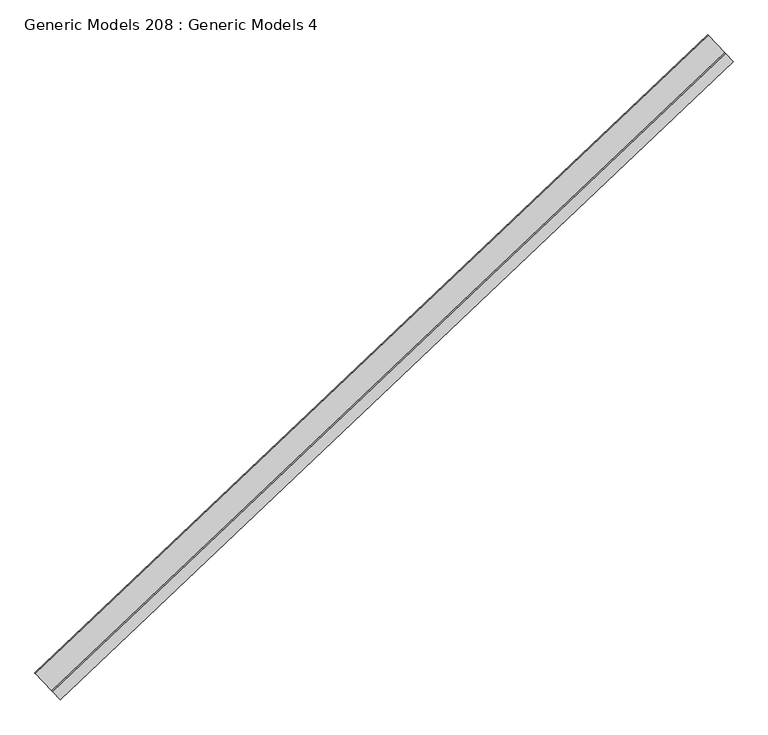
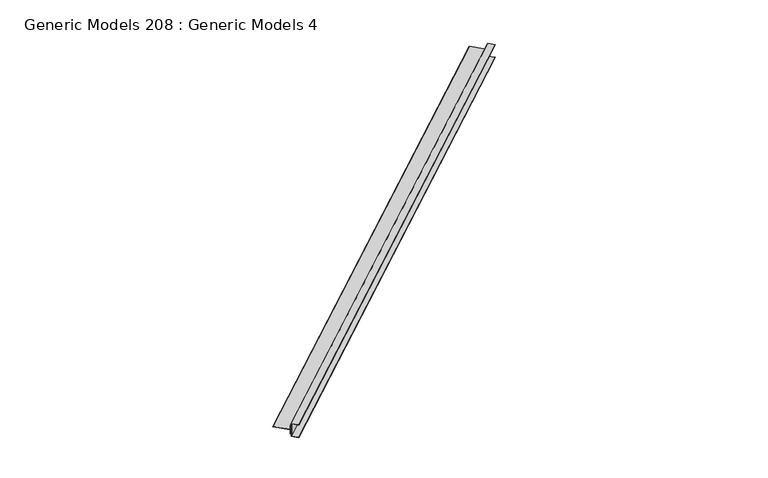
"""IFC4 building model written with IfcOpenShell, lengths in millimetres: proxy geometry, Generic Models 208 : Generic Models 4."""

from ifc_helpers import new_model, si_unit, point, frame, frame_2d, origin, place, context, project, spatial, polyline, circle_curve, trimmed, segment, composite_curve, outline, extrude, source, transform, mapped, element, save


def generic_models_208_generic_models_4_1a8cf3b8(model_context):
    return source(origin(), model_context, "Body", "SweptSolid", [
        extrude(outline(composite_curve([segment(polyline([(0.0, -101.6), (-52.3874999, -101.6), (-52.3874999, -91.2527837), (-58.7375, -84.9027837), (-58.7375, -52.3875), (-177.7999999, -52.3875)]), True, "CONTINUOUS"), segment(trimmed(circle_curve(frame_2d((-177.7999999, -50.8)), 1.5875), [point((-177.7999999, -52.3875))], [point((-177.7999999, -49.2125))], False, "CARTESIAN"), True, "CONTINUOUS"), segment(polyline([(-177.7999999, -49.2125), (-58.7375, -49.2125), (-58.7375, -16.6972163), (-52.3874999, -10.3472163), (-52.3874999, 0.0), (0.0, 0.0), (0.0, -1.5875), (-50.7999999, -1.5875), (-50.7999999, -100.0125), (0.0, -100.0125), (0.0, -101.6)]), True, "CONTINUOUS")], self_intersect=False), holes=[composite_curve([segment(polyline([(-57.15, -49.2125), (-55.3960517, -49.2125)]), True, "CONTINUOUS"), segment(trimmed(circle_curve(frame_2d((-55.3960517, -50.8)), 1.5875), [point((-55.3960517, -49.2125))], [point((-55.3960517, -52.3875))], False, "CARTESIAN"), True, "CONTINUOUS"), segment(polyline([(-55.3960517, -52.3875), (-57.15, -52.3875), (-57.15, -84.2452197), (-52.3874999, -89.0077197), (-52.3874999, -12.5922803), (-57.15, -17.3547803), (-57.15, -49.2125)]), True, "CONTINUOUS")], self_intersect=False)]), frame((99940.448487, 57112.2584856, 17426.2570781), z_axis=(0.7253743710123147, 0.6883545756937256, 0.0), x_axis=(0.6883545756937256, -0.7253743710123147, 0.0)), (0.0, 0.0, 1.0), 4530.725),
    ])


if __name__ == "__main__":
    model = new_model("IFC4")
    model_context = context("Model", 3, world=origin())
    ifc_project = project(units=[si_unit("LENGTHUNIT", "METRE", prefix="MILLI")], contexts=[model_context])
    site = spatial("IfcSite", under=ifc_project)
    building = spatial("IfcBuilding", under=site)
    placement = place(None, origin())
    generic_models_208_generic_models_4_shape = generic_models_208_generic_models_4_1a8cf3b8(model_context)
    element("IfcBuildingElementProxy", 1, Name="Generic Models 208 : Generic Models 4", ObjectType="Generic Models 208 : Generic Models 4", at=placement, inside=building, context=model_context, shape_type="MappedRepresentation", body=[
        mapped(generic_models_208_generic_models_4_shape, transform((0.0, 0.0, 0.0), x_axis=(1.0, 0.0, 0.0), y_axis=(0.0, 1.0, 0.0), z_axis=(0.0, 0.0, 1.0))),
    ])
    save(model, "model.ifc")
